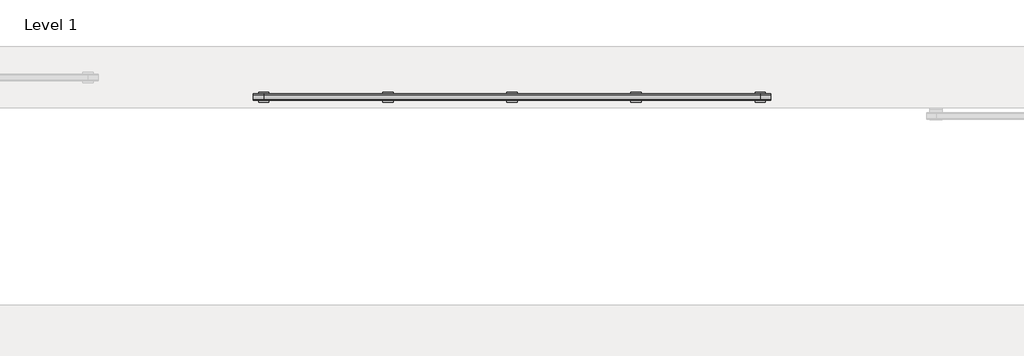
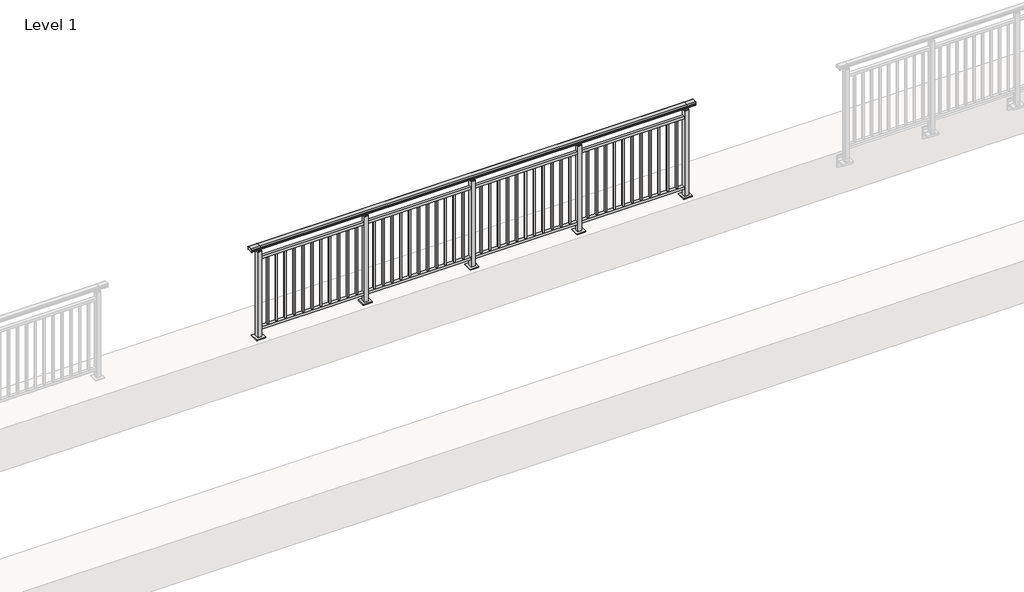
# One storey, part 10 of 64: 1 railing.
"""IFC4 building model written with IfcOpenShell, lengths in millimetres."""

import ifcopenshell
import ifcopenshell.guid

model = None  # the IFC model being written
_history = None  # IfcOwnerHistory: only IFC2X3 demands one
_inside = {}  # id of a spatial element -> (the spatial element, [elements in it])
_under = {}  # id of a project, library or spatial element -> (it, [spatial elements below it])
_declared = {}  # id of a project -> (the project, [libraries it declares])
_typed = {}  # id of a type object -> (the type object, [elements of that type])
_made_of = {}  # id of a material, layer set ... -> (it, [elements and type objects made of it])


def new_model(schema):
    """Start an empty IFC model of exactly this schema.

    Asked for "IFC4X3", IfcOpenShell would pick the latest addendum, in which some entities
    have other attributes; the version numbers below select the first issue.
    IFC2X3 requires an IfcOwnerHistory on every rooted entity: one is made here for all.
    """
    global model, _history
    if schema == "IFC4X3":
        model = ifcopenshell.file(schema_version=(4, 3, 0, 0))
    else:
        model = ifcopenshell.file(schema=schema)
    _inside.clear()
    _under.clear()
    _declared.clear()
    _typed.clear()
    _made_of.clear()
    _history = None
    if model.schema == "IFC2X3":
        org = make("IfcOrganization", Name="unknown")
        user = make(
            "IfcPersonAndOrganization",
            ThePerson=make("IfcPerson", FamilyName="unknown"),
            TheOrganization=org,
        )
        app = make(
            "IfcApplication",
            ApplicationDeveloper=org,
            Version="unknown",
            ApplicationFullName="unknown",
            ApplicationIdentifier="unknown",
        )
        _history = make(
            "IfcOwnerHistory",
            OwningUser=user,
            OwningApplication=app,
            ChangeAction="ADDED",
            CreationDate=0,
        )
    return model


def make(cls, **values):
    """One entity of the class cls with the attributes given. An attribute that is None is left unset."""
    return model.create_entity(
        cls, **{name: value for name, value in values.items() if value is not None}
    )


def rooted(cls, **values):
    """An entity with a GlobalId (a new one), such as an element, a storey or a relation."""
    return make(cls, GlobalId=ifcopenshell.guid.new(), OwnerHistory=_history, **values)


def si_unit(unit_type, name, prefix=None):
    """IfcSIUnit, for example si_unit("LENGTHUNIT", "METRE", prefix="MILLI")."""
    return make("IfcSIUnit", UnitType=unit_type, Prefix=prefix, Name=name)


def assignment(units):
    """IfcUnitAssignment: the units of a project."""
    return None if units is None else make("IfcUnitAssignment", Units=units)


def point(xyz):
    """IfcCartesianPoint."""
    return None if xyz is None else make("IfcCartesianPoint", Coordinates=xyz)


def direction(xyz):
    """IfcDirection."""
    return None if xyz is None else make("IfcDirection", DirectionRatios=xyz)


def frame(location, z_axis=None, x_axis=None):
    """IfcAxis2Placement3D, a coordinate frame: its origin and axes. An axis left out is left unset."""
    return make(
        "IfcAxis2Placement3D",
        Location=point(location),
        Axis=direction(z_axis),
        RefDirection=direction(x_axis),
    )


def origin():
    """The frame at (0, 0, 0) with its axes left unset."""
    return frame((0.0, 0.0, 0.0))


def origin_with_axes():
    """The frame at (0, 0, 0) with the z axis (0, 0, 1) and the x axis (1, 0, 0) written out."""
    return frame((0.0, 0.0, 0.0), z_axis=(0.0, 0.0, 1.0), x_axis=(1.0, 0.0, 0.0))


def place(relative_to, where):
    """IfcLocalPlacement: puts the frame where relative to a parent placement (None: the world)."""
    return make(
        "IfcLocalPlacement", PlacementRelTo=relative_to, RelativePlacement=where
    )


def context(
    kind, dimensions, precision=None, world=None, true_north=None, identifier=None
):
    """IfcGeometricRepresentationContext, for example the 3D "Model" context."""
    return make(
        "IfcGeometricRepresentationContext",
        ContextIdentifier=identifier,
        ContextType=kind,
        CoordinateSpaceDimension=dimensions,
        Precision=precision,
        WorldCoordinateSystem=world,
        TrueNorth=true_north,
    )


def project(units=None, contexts=None):
    """IfcProject with its units and contexts."""
    return rooted(
        "IfcProject",
        Name="project",
        RepresentationContexts=contexts,
        UnitsInContext=assignment(units),
    )


def spatial(cls, under=None, at=None, **own):
    """A site, building, storey or space (cls), placed at a placement, below another one or the project."""
    s = rooted(cls, ObjectPlacement=at, **own)
    if under is not None:
        _under.setdefault(under.id(), (under, []))[1].append(s)
    return s


def polyline(points):
    """IfcPolyline through the points."""
    return make("IfcPolyline", Points=[point(p) for p in points])


def circle_curve(where, radius):
    """IfcCircle in the frame where."""
    return make("IfcCircle", Position=where, Radius=radius)


def outline(outer, holes=None, kind="AREA"):
    """IfcArbitraryClosedProfileDef: a profile drawn as a closed curve; with holes, ...WithVoids."""
    if holes is None:
        return make("IfcArbitraryClosedProfileDef", ProfileType=kind, OuterCurve=outer)
    return make(
        "IfcArbitraryProfileDefWithVoids",
        ProfileType=kind,
        OuterCurve=outer,
        InnerCurves=holes,
    )


def extrude(swept, where, along, depth):
    """IfcExtrudedAreaSolid: the profile swept, set in the frame where, extruded along a direction by depth."""
    return make(
        "IfcExtrudedAreaSolid",
        SweptArea=swept,
        Position=where,
        ExtrudedDirection=direction(along),
        Depth=depth,
    )


def shape(context_of_items, identifier, shape_type, items):
    """IfcShapeRepresentation: the items that make up one representation, for example the "Body"."""
    return make(
        "IfcShapeRepresentation",
        ContextOfItems=context_of_items,
        RepresentationIdentifier=identifier,
        RepresentationType=shape_type,
        Items=items,
    )


def made_of(thing, what):
    """Note that an element or type object is made of a material, layer set ...; save() writes the relation."""
    if what is not None:
        _made_of.setdefault(what.id(), (what, []))[1].append(thing)
    return thing


def element(
    cls,
    number,
    at=None,
    inside=None,
    cuts=None,
    type_object=None,
    material=None,
    context=None,
    identifier="Body",
    shape_type=None,
    held_by="IfcProductDefinitionShape",
    body=None,
    shapes=None,
    **own,
):
    """One element of the class cls, such as IfcWall. Its Tag is "e" and its number.

    at: its placement. inside: the storey or other place that contains it. cuts: it is an
    opening in that element (IfcRelVoidsElement). A single representation is given by context,
    identifier, shape_type and body (its items); several are given by shapes. held_by: the class
    of the entity that holds the representations. save() writes the other relations.
    """
    e = rooted(cls, Tag="e%d" % number, ObjectPlacement=at, **own)
    if body is not None:
        shapes = [shape(context, identifier, shape_type, body)]
    if shapes is not None:
        e.Representation = make(held_by, Representations=shapes)
    if inside is not None:
        _inside.setdefault(inside.id(), (inside, []))[1].append(e)
    if cuts is not None:
        rooted(
            "IfcRelVoidsElement", RelatingBuildingElement=cuts, RelatedOpeningElement=e
        )
    if type_object is not None:
        _typed.setdefault(type_object.id(), (type_object, []))[1].append(e)
    return made_of(e, material)


def aggregate(whole, parts):
    """IfcRelAggregates: a whole, such as a stair, and the parts it consists of."""
    return rooted("IfcRelAggregates", RelatingObject=whole, RelatedObjects=parts)


def save(model, path):
    """Write the relations noted so far, then the file.

    IfcRelAggregates (storeys below a building ...), IfcRelContainedInSpatialStructure (elements
    in a storey), IfcRelDefinesByType, IfcRelAssociatesMaterial and IfcRelDeclares: one each for
    every whole, place, type object, material and project.
    """
    for whole, parts in _under.values():
        aggregate(whole, parts)
    for where, things in _inside.values():
        rooted(
            "IfcRelContainedInSpatialStructure",
            RelatedElements=things,
            RelatingStructure=where,
        )
    for kind, things in _typed.values():
        rooted("IfcRelDefinesByType", RelatedObjects=things, RelatingType=kind)
    for what, things in _made_of.values():
        rooted("IfcRelAssociatesMaterial", RelatedObjects=things, RelatingMaterial=what)
    for by, libraries in _declared.values():
        rooted("IfcRelDeclares", RelatingContext=by, RelatedDefinitions=libraries)
    model.write(path)


def plane_surface(at):
    """IfcPlane: the flat surface through the origin of the frame at, square to its z axis."""
    return make("IfcPlane", Position=at)


def cylinder_surface(at, radius):
    """IfcCylindricalSurface: all points at the distance radius from the z axis of the frame at."""
    return make("IfcCylindricalSurface", Position=at, Radius=radius)


def revolved_surface(curve, axis_point, axis_direction):
    """IfcSurfaceOfRevolution: the curve turned about the line through axis_point along axis_direction."""
    return make(
        "IfcSurfaceOfRevolution",
        SweptCurve=make("IfcArbitraryOpenProfileDef", ProfileType="CURVE", Curve=curve),
        AxisPosition=make("IfcAxis1Placement", Location=point(axis_point), Axis=direction(axis_direction)),
    )


def advanced_brep(points, edges, surfaces, faces):
    """IfcAdvancedBrep: a solid bounded by faces that lie on surfaces and meet in shared edges.

    An edge is (start, end): straight between two places in points (the first is 0);
    or (start, end, curve); or (start, end, curve, False) where it runs against its curve.
    A face is (place in surfaces, loops), or (place, loops, False) where it looks against
    its surface's normal. A loop lists edges by number (the first is 1), with a minus sign
    where the edge is run from its end to its start. The first loop is the outer one.
    """
    corners = [point(p) for p in points]
    vertices = [make("IfcVertexPoint", VertexGeometry=c) for c in corners]
    made = []
    for start, end, *more in edges:
        made.append(
            make(
                "IfcEdgeCurve",
                EdgeStart=vertices[start],
                EdgeEnd=vertices[end],
                EdgeGeometry=more[0] if more else make("IfcPolyline", Points=[corners[start], corners[end]]),
                SameSense=more[1] if len(more) > 1 else True,
            )
        )
    hull = []
    for where, loops, *sense in faces:
        bounds = []
        for j, loop in enumerate(loops):
            ring = [make("IfcOrientedEdge", EdgeElement=made[abs(k) - 1], Orientation=k > 0) for k in loop]
            bounds.append(
                make(
                    "IfcFaceOuterBound" if j == 0 else "IfcFaceBound",
                    Bound=make("IfcEdgeLoop", EdgeList=ring),
                    Orientation=True,
                )
            )
        hull.append(make("IfcAdvancedFace", Bounds=bounds, FaceSurface=surfaces[where], SameSense=sense[0] if sense else True))
    return make("IfcAdvancedBrep", Outer=make("IfcClosedShell", CfsFaces=hull))


model = new_model("IFC4")

# Units and contexts
model_context = context("Model", 3, world=origin())
ifc_project = project(units=[si_unit("LENGTHUNIT", "METRE", prefix="MILLI")], contexts=[model_context])

# Site, building, storey
site = spatial("IfcSite", under=ifc_project)
building = spatial("IfcBuilding", under=site)
storey = spatial("IfcBuildingStorey", under=building, Name="Level 1", Elevation=0.0)

# Railing
placement = place(None, origin())
element("IfcRailing", 1, at=placement, inside=storey, context=model_context, shape_type="SolidModel", body=[
    advanced_brep(
    [(6400.0, 2525.3633756, 1095.6691182), (6400.0, 2530.1846828, 1081.1334092), (6400.0, 2529.2413744, 1069.2539035), (6400.0, 2531.1364177, 1061.4863007), (6400.0, 2529.4894799, 1060.384124), (6400.0, 2529.4894799, 1062.0), (6400.0, 2470.8798858, 1062.0), (6400.0, 2470.8798858, 1060.384124), (6400.0, 2469.232948, 1061.4863007), (6400.0, 2471.1279912, 1069.2539035), (6400.0, 2470.1846828, 1081.1334092), (6400.0, 2475.00599, 1095.6691182), (11400.0, 2525.3633756, 1095.6691182), (11400.0, 2475.00599, 1095.6691182), (11400.0, 2470.1846828, 1081.1334092), (11400.0, 2471.1279912, 1069.2539035), (11400.0, 2469.232948, 1061.4863007), (11400.0, 2470.8798858, 1060.384124), (11400.0, 2470.8798858, 1062.0), (11400.0, 2529.4894799, 1062.0), (11400.0, 2529.4894799, 1060.384124), (11400.0, 2531.1364177, 1061.4863007), (11400.0, 2529.2413744, 1069.2539035), (11400.0, 2530.1846828, 1081.1334092), (6500.0, 2525.3633756, 1095.6691182), (6500.0, 2530.1846828, 1081.1334092), (6500.0, 2529.2413744, 1069.2539035), (6500.0, 2531.1364177, 1061.4863007), (6500.0, 2529.4894799, 1060.384124), (6500.0, 2529.4894799, 1062.0), (6500.0, 2470.8798858, 1062.0), (6500.0, 2470.8798858, 1060.384124), (6500.0, 2469.232948, 1061.4863007), (6500.0, 2471.1279912, 1069.2539035), (6500.0, 2470.1846828, 1081.1334092), (6500.0, 2475.00599, 1095.6691182), (11300.0, 2525.3633756, 1095.6691182), (11300.0, 2530.1846828, 1081.1334092), (11300.0, 2529.2413744, 1069.2539035), (11300.0, 2531.1364177, 1061.4863007), (11300.0, 2529.4894799, 1060.384124), (11300.0, 2529.4894799, 1062.0), (11300.0, 2470.8798858, 1062.0), (11300.0, 2470.8798858, 1060.384124), (11300.0, 2469.232948, 1061.4863007), (11300.0, 2471.1279912, 1069.2539035), (11300.0, 2470.1846828, 1081.1334092), (11300.0, 2475.00599, 1095.6691182)],
    [
        (0, 1, circle_curve(frame((6400.0, 2522.1223845, 1086.526686), z_axis=(-1.0, 0.0, 0.0), x_axis=(0.0, -1.0, 0.0)), 9.6999015)),
        (1, 2, circle_curve(frame((6400.0, 2547.7252545, 1073.7633709), z_axis=(1.0, 0.0, 0.0), x_axis=(0.0, -1.0, 0.0)), 19.0260117)),
        (2, 3),
        (3, 4, circle_curve(frame((6400.0, 2530.2772073, 1060.9886194), z_axis=(-1.0, 0.0, 0.0), x_axis=(0.0, -1.0, 0.0)), 0.9929396)),
        (4, 5),
        (5, 6),
        (6, 7),
        (7, 8, circle_curve(frame((6400.0, 2470.0921584, 1060.9886194), z_axis=(-1.0, 0.0, 0.0), x_axis=(0.0, 1.0, 0.0)), 0.9929396)),
        (8, 9),
        (9, 10, circle_curve(frame((6400.0, 2452.6441111, 1073.7633709), z_axis=(1.0, 0.0, 0.0), x_axis=(0.0, 1.0, 0.0)), 19.0260117)),
        (10, 11, circle_curve(frame((6400.0, 2478.2469812, 1086.526686), z_axis=(-1.0, 0.0, 0.0), x_axis=(0.0, 1.0, 0.0)), 9.6999015)),
        (11, 0, circle_curve(frame((6400.0, 2500.1846828, 1024.6431628), z_axis=(-1.0, 0.0, 0.0), x_axis=(0.0, 1.0, 0.0)), 75.3568372)),
        (12, 13, circle_curve(frame((11400.0, 2500.1846828, 1024.6431628), z_axis=(1.0, 0.0, 0.0), x_axis=(0.0, 1.0, 0.0)), 75.3568372)),
        (13, 14, circle_curve(frame((11400.0, 2478.2469812, 1086.526686), z_axis=(1.0, 0.0, 0.0), x_axis=(0.0, 1.0, 0.0)), 9.6999015)),
        (14, 15, circle_curve(frame((11400.0, 2452.6441111, 1073.7633709), z_axis=(-1.0, 0.0, 0.0), x_axis=(0.0, 1.0, 0.0)), 19.0260117)),
        (15, 16),
        (16, 17, circle_curve(frame((11400.0, 2470.0921584, 1060.9886194), z_axis=(1.0, 0.0, 0.0), x_axis=(0.0, 1.0, 0.0)), 0.9929396)),
        (17, 18),
        (18, 19),
        (19, 20),
        (20, 21, circle_curve(frame((11400.0, 2530.2772073, 1060.9886194), z_axis=(1.0, 0.0, 0.0), x_axis=(0.0, -1.0, 0.0)), 0.9929396)),
        (21, 22),
        (22, 23, circle_curve(frame((11400.0, 2547.7252545, 1073.7633709), z_axis=(-1.0, 0.0, 0.0), x_axis=(0.0, -1.0, 0.0)), 19.0260117)),
        (23, 12, circle_curve(frame((11400.0, 2522.1223845, 1086.526686), z_axis=(1.0, 0.0, 0.0), x_axis=(0.0, -1.0, 0.0)), 9.6999015)),
        (0, 24),
        (24, 25, circle_curve(frame((6500.0, 2522.1223845, 1086.526686), z_axis=(-1.0, 0.0, 0.0), x_axis=(0.0, -1.0, 0.0)), 9.6999015)),
        (25, 1),
        (25, 26, circle_curve(frame((6500.0, 2547.7252545, 1073.7633709), z_axis=(1.0, 0.0, 0.0), x_axis=(0.0, -1.0, 0.0)), 19.0260117)),
        (26, 2),
        (26, 27),
        (27, 3),
        (27, 28, circle_curve(frame((6500.0, 2530.2772073, 1060.9886194), z_axis=(-1.0, 0.0, 0.0), x_axis=(0.0, -1.0, 0.0)), 0.9929396)),
        (28, 4),
        (28, 29),
        (29, 5),
        (29, 30),
        (30, 6),
        (30, 31),
        (31, 7),
        (31, 32, circle_curve(frame((6500.0, 2470.0921584, 1060.9886194), z_axis=(-1.0, 0.0, 0.0), x_axis=(0.0, 1.0, 0.0)), 0.9929396)),
        (32, 8),
        (32, 33),
        (33, 9),
        (33, 34, circle_curve(frame((6500.0, 2452.6441111, 1073.7633709), z_axis=(1.0, 0.0, 0.0), x_axis=(0.0, 1.0, 0.0)), 19.0260117)),
        (34, 10),
        (34, 35, circle_curve(frame((6500.0, 2478.2469812, 1086.526686), z_axis=(-1.0, 0.0, 0.0), x_axis=(0.0, 1.0, 0.0)), 9.6999015)),
        (35, 11),
        (35, 24, circle_curve(frame((6500.0, 2500.1846828, 1024.6431628), z_axis=(-1.0, 0.0, 0.0), x_axis=(0.0, 1.0, 0.0)), 75.3568372)),
        (24, 36),
        (36, 37, circle_curve(frame((11300.0, 2522.1223845, 1086.526686), z_axis=(-1.0, 0.0, 0.0), x_axis=(0.0, -1.0, 0.0)), 9.6999015)),
        (37, 25),
        (37, 38, circle_curve(frame((11300.0, 2547.7252545, 1073.7633709), z_axis=(1.0, 0.0, 0.0), x_axis=(0.0, -1.0, 0.0)), 19.0260117)),
        (38, 26),
        (38, 39),
        (39, 27),
        (39, 40, circle_curve(frame((11300.0, 2530.2772073, 1060.9886194), z_axis=(-1.0, 0.0, 0.0), x_axis=(0.0, -1.0, 0.0)), 0.9929396)),
        (40, 28),
        (40, 41),
        (41, 29),
        (41, 42),
        (42, 30),
        (42, 43),
        (43, 31),
        (43, 44, circle_curve(frame((11300.0, 2470.0921584, 1060.9886194), z_axis=(-1.0, 0.0, 0.0), x_axis=(0.0, 1.0, 0.0)), 0.9929396)),
        (44, 32),
        (44, 45),
        (45, 33),
        (45, 46, circle_curve(frame((11300.0, 2452.6441111, 1073.7633709), z_axis=(1.0, 0.0, 0.0), x_axis=(0.0, 1.0, 0.0)), 19.0260117)),
        (46, 34),
        (46, 47, circle_curve(frame((11300.0, 2478.2469812, 1086.526686), z_axis=(-1.0, 0.0, 0.0), x_axis=(0.0, 1.0, 0.0)), 9.6999015)),
        (47, 35),
        (47, 36, circle_curve(frame((11300.0, 2500.1846828, 1024.6431628), z_axis=(-1.0, 0.0, 0.0), x_axis=(0.0, 1.0, 0.0)), 75.3568372)),
        (36, 12),
        (23, 37),
        (22, 38),
        (21, 39),
        (20, 40),
        (19, 41),
        (18, 42),
        (17, 43),
        (16, 44),
        (15, 45),
        (14, 46),
        (13, 47),
    ],
    [
        plane_surface(frame((6400.0, 2500.1846828, 1100.0), z_axis=(-1.0, 0.0, 0.0), x_axis=(0.0, 1.0, 0.0))),
        plane_surface(frame((11400.0, 2500.1846828, 1100.0), z_axis=(1.0, 0.0, 0.0), x_axis=(0.0, 1.0, 0.0))),
        cylinder_surface(frame((6400.0, 2522.1223845, 1086.526686), z_axis=(-1.0, 0.0, 0.0), x_axis=(0.0, -1.0, 0.0)), 9.6999015),
        revolved_surface(polyline([(6500.0, 2528.6992428000003, 1073.7633709), (6400.0, 2528.6992428000003, 1073.7633709)]), (6400.0, 2547.7252545, 1073.7633709), (1.0, 0.0, 0.0)),
        plane_surface(frame((6400.0, 2529.2413744, 1069.2539035), z_axis=(0.0, 0.9715057689301543, 0.2370159086125439), x_axis=(1.0, 0.0, 0.0))),
        cylinder_surface(frame((6400.0, 2530.2772073, 1060.9886194), z_axis=(-1.0, 0.0, 0.0), x_axis=(0.0, -1.0, 0.0)), 0.9929396),
        plane_surface(frame((6400.0, 2529.4894799, 1060.384124), z_axis=(0.0, -1.0, 0.0), x_axis=(1.0, 0.0, 0.0))),
        plane_surface(frame((6400.0, 2529.4894799, 1062.0), z_axis=(0.0, 0.0, -1.0), x_axis=(1.0, 0.0, 0.0))),
        plane_surface(frame((6400.0, 2470.8798858, 1062.0), z_axis=(0.0, 1.0, 0.0), x_axis=(1.0, 0.0, 0.0))),
        cylinder_surface(frame((6400.0, 2470.0921584, 1060.9886194), z_axis=(-1.0, 0.0, 0.0), x_axis=(0.0, 1.0, 0.0)), 0.9929396),
        plane_surface(frame((6400.0, 2469.232948, 1061.4863007), z_axis=(0.0, -0.9715057689301543, 0.2370159086125439), x_axis=(1.0, 0.0, 0.0))),
        revolved_surface(polyline([(6500.0, 2471.6701227999997, 1073.7633709), (6400.0, 2471.6701227999997, 1073.7633709)]), (6400.0, 2452.6441111, 1073.7633709), (1.0, 0.0, 0.0)),
        cylinder_surface(frame((6400.0, 2478.2469812, 1086.526686), z_axis=(-1.0, 0.0, 0.0), x_axis=(0.0, 1.0, 0.0)), 9.6999015),
        cylinder_surface(frame((6400.0, 2500.1846828, 1024.6431628), z_axis=(-1.0, 0.0, 0.0), x_axis=(0.0, 1.0, 0.0)), 75.3568372),
        cylinder_surface(frame((6500.0, 2522.1223845, 1086.526686), z_axis=(-1.0, 0.0, 0.0), x_axis=(0.0, -1.0, 0.0)), 9.6999015),
        revolved_surface(polyline([(11300.0, 2528.6992428000003, 1073.7633709), (6500.0, 2528.6992428000003, 1073.7633709)]), (6500.0, 2547.7252545, 1073.7633709), (1.0, 0.0, 0.0)),
        plane_surface(frame((6500.0, 2529.2413744, 1069.2539035), z_axis=(0.0, 0.9715057689301543, 0.2370159086125439), x_axis=(1.0, 0.0, 0.0))),
        cylinder_surface(frame((6500.0, 2530.2772073, 1060.9886194), z_axis=(-1.0, 0.0, 0.0), x_axis=(0.0, -1.0, 0.0)), 0.9929396),
        plane_surface(frame((6500.0, 2529.4894799, 1060.384124), z_axis=(0.0, -1.0, 0.0), x_axis=(1.0, 0.0, 0.0))),
        plane_surface(frame((6500.0, 2529.4894799, 1062.0), z_axis=(0.0, 0.0, -1.0), x_axis=(1.0, 0.0, 0.0))),
        plane_surface(frame((6500.0, 2470.8798858, 1062.0), z_axis=(0.0, 1.0, 0.0), x_axis=(1.0, 0.0, 0.0))),
        cylinder_surface(frame((6500.0, 2470.0921584, 1060.9886194), z_axis=(-1.0, 0.0, 0.0), x_axis=(0.0, 1.0, 0.0)), 0.9929396),
        plane_surface(frame((6500.0, 2469.232948, 1061.4863007), z_axis=(0.0, -0.9715057689301543, 0.2370159086125439), x_axis=(1.0, 0.0, 0.0))),
        revolved_surface(polyline([(11300.0, 2471.6701227999997, 1073.7633709), (6500.0, 2471.6701227999997, 1073.7633709)]), (6500.0, 2452.6441111, 1073.7633709), (1.0, 0.0, 0.0)),
        cylinder_surface(frame((6500.0, 2478.2469812, 1086.526686), z_axis=(-1.0, 0.0, 0.0), x_axis=(0.0, 1.0, 0.0)), 9.6999015),
        cylinder_surface(frame((6500.0, 2500.1846828, 1024.6431628), z_axis=(-1.0, 0.0, 0.0), x_axis=(0.0, 1.0, 0.0)), 75.3568372),
        cylinder_surface(frame((11300.0, 2522.1223845, 1086.526686), z_axis=(-1.0, 0.0, 0.0), x_axis=(0.0, -1.0, 0.0)), 9.6999015),
        revolved_surface(polyline([(11400.0, 2528.6992428000003, 1073.7633709), (11300.0, 2528.6992428000003, 1073.7633709)]), (11300.0, 2547.7252545, 1073.7633709), (1.0, 0.0, 0.0)),
        plane_surface(frame((11300.0, 2529.2413744, 1069.2539035), z_axis=(0.0, 0.9715057689301543, 0.2370159086125439), x_axis=(1.0, 0.0, 0.0))),
        cylinder_surface(frame((11300.0, 2530.2772073, 1060.9886194), z_axis=(-1.0, 0.0, 0.0), x_axis=(0.0, -1.0, 0.0)), 0.9929396),
        plane_surface(frame((11300.0, 2529.4894799, 1060.384124), z_axis=(0.0, -1.0, 0.0), x_axis=(1.0, 0.0, 0.0))),
        plane_surface(frame((11300.0, 2529.4894799, 1062.0), z_axis=(0.0, 0.0, -1.0), x_axis=(1.0, 0.0, 0.0))),
        plane_surface(frame((11300.0, 2470.8798858, 1062.0), z_axis=(0.0, 1.0, 0.0), x_axis=(1.0, 0.0, 0.0))),
        cylinder_surface(frame((11300.0, 2470.0921584, 1060.9886194), z_axis=(-1.0, 0.0, 0.0), x_axis=(0.0, 1.0, 0.0)), 0.9929396),
        plane_surface(frame((11300.0, 2469.232948, 1061.4863007), z_axis=(0.0, -0.9715057689301543, 0.2370159086125439), x_axis=(1.0, 0.0, 0.0))),
        revolved_surface(polyline([(11400.0, 2471.6701227999997, 1073.7633709), (11300.0, 2471.6701227999997, 1073.7633709)]), (11300.0, 2452.6441111, 1073.7633709), (1.0, 0.0, 0.0)),
        cylinder_surface(frame((11300.0, 2478.2469812, 1086.526686), z_axis=(-1.0, 0.0, 0.0), x_axis=(0.0, 1.0, 0.0)), 9.6999015),
        cylinder_surface(frame((11300.0, 2500.1846828, 1024.6431628), z_axis=(-1.0, 0.0, 0.0), x_axis=(0.0, 1.0, 0.0)), 75.3568372),
    ],
    [
        (0, [[1, 2, 3, 4, 5, 6, 7, 8, 9, 10, 11, 12]]),
        (1, [[13, 14, 15, 16, 17, 18, 19, 20, 21, 22, 23, 24]]),
        (2, [[-1, 25, 26, 27]]),
        (3, [[-2, -27, 28, 29]]),
        (4, [[-3, -29, 30, 31]]),
        (5, [[-4, -31, 32, 33]]),
        (6, [[-5, -33, 34, 35]]),
        (7, [[-6, -35, 36, 37]]),
        (8, [[-7, -37, 38, 39]]),
        (9, [[-8, -39, 40, 41]]),
        (10, [[-9, -41, 42, 43]]),
        (11, [[-10, -43, 44, 45]]),
        (12, [[-11, -45, 46, 47]]),
        (13, [[-12, -47, 48, -25]]),
        (14, [[-26, 49, 50, 51]]),
        (15, [[-28, -51, 52, 53]]),
        (16, [[-30, -53, 54, 55]]),
        (17, [[-32, -55, 56, 57]]),
        (18, [[-34, -57, 58, 59]]),
        (19, [[-36, -59, 60, 61]]),
        (20, [[-38, -61, 62, 63]]),
        (21, [[-40, -63, 64, 65]]),
        (22, [[-42, -65, 66, 67]]),
        (23, [[-44, -67, 68, 69]]),
        (24, [[-46, -69, 70, 71]]),
        (25, [[-48, -71, 72, -49]]),
        (26, [[-50, 73, -24, 74]]),
        (27, [[-52, -74, -23, 75]]),
        (28, [[-54, -75, -22, 76]]),
        (29, [[-56, -76, -21, 77]]),
        (30, [[-58, -77, -20, 78]]),
        (31, [[-60, -78, -19, 79]]),
        (32, [[-62, -79, -18, 80]]),
        (33, [[-64, -80, -17, 81]]),
        (34, [[-66, -81, -16, 82]]),
        (35, [[-68, -82, -15, 83]]),
        (36, [[-70, -83, -14, 84]]),
        (37, [[-72, -84, -13, -73]]),
    ],
),
    extrude(outline(polyline([(6500.0, 2482.6846828), (6500.0, 2517.6846828), (11300.0, 2517.6846828), (11300.0, 2482.6846828), (6500.0, 2482.6846828)])), frame((0.0, 0.0, 930.0), z_axis=(0.0, 0.0, 1.0), x_axis=(1.0, 0.0, 0.0)), (0.0, 0.0, 1.0), 30.0),
    extrude(outline(polyline([(6500.0, 2482.6846828), (6500.0, 2517.6846828), (11300.0, 2517.6846828), (11300.0, 2482.6846828), (6500.0, 2482.6846828)])), frame((0.0, 0.0, 95.0), z_axis=(0.0, 0.0, 1.0), x_axis=(1.0, 0.0, 0.0)), (0.0, 0.0, 1.0), 30.0),
    extrude(outline(polyline([(11208.5, 2508.6846828), (11208.5, 2491.6846828), (11191.5, 2491.6846828), (11191.5, 2508.6846828), (11208.5, 2508.6846828)])), frame((0.0, 0.0, 125.0), z_axis=(0.0, 0.0, 1.0), x_axis=(1.0, 0.0, 0.0)), (0.0, 0.0, 1.0), 805.0),
    extrude(outline(polyline([(11108.5, 2508.6846828), (11108.5, 2491.6846828), (11091.5, 2491.6846828), (11091.5, 2508.6846828), (11108.5, 2508.6846828)])), frame((0.0, 0.0, 125.0), z_axis=(0.0, 0.0, 1.0), x_axis=(1.0, 0.0, 0.0)), (0.0, 0.0, 1.0), 805.0),
    extrude(outline(polyline([(11008.5, 2508.6846828), (11008.5, 2491.6846828), (10991.5, 2491.6846828), (10991.5, 2508.6846828), (11008.5, 2508.6846828)])), frame((0.0, 0.0, 125.0), z_axis=(0.0, 0.0, 1.0), x_axis=(1.0, 0.0, 0.0)), (0.0, 0.0, 1.0), 805.0),
    extrude(outline(polyline([(10908.5, 2508.6846828), (10908.5, 2491.6846828), (10891.5, 2491.6846828), (10891.5, 2508.6846828), (10908.5, 2508.6846828)])), frame((0.0, 0.0, 125.0), z_axis=(0.0, 0.0, 1.0), x_axis=(1.0, 0.0, 0.0)), (0.0, 0.0, 1.0), 805.0),
    extrude(outline(polyline([(10808.5, 2508.6846828), (10808.5, 2491.6846828), (10791.5, 2491.6846828), (10791.5, 2508.6846828), (10808.5, 2508.6846828)])), frame((0.0, 0.0, 125.0), z_axis=(0.0, 0.0, 1.0), x_axis=(1.0, 0.0, 0.0)), (0.0, 0.0, 1.0), 805.0),
    extrude(outline(polyline([(10708.5, 2508.6846828), (10708.5, 2491.6846828), (10691.5, 2491.6846828), (10691.5, 2508.6846828), (10708.5, 2508.6846828)])), frame((0.0, 0.0, 125.0), z_axis=(0.0, 0.0, 1.0), x_axis=(1.0, 0.0, 0.0)), (0.0, 0.0, 1.0), 805.0),
    extrude(outline(polyline([(10608.5, 2508.6846828), (10608.5, 2491.6846828), (10591.5, 2491.6846828), (10591.5, 2508.6846828), (10608.5, 2508.6846828)])), frame((0.0, 0.0, 125.0), z_axis=(0.0, 0.0, 1.0), x_axis=(1.0, 0.0, 0.0)), (0.0, 0.0, 1.0), 805.0),
    extrude(outline(polyline([(10508.5, 2508.6846828), (10508.5, 2491.6846828), (10491.5, 2491.6846828), (10491.5, 2508.6846828), (10508.5, 2508.6846828)])), frame((0.0, 0.0, 125.0), z_axis=(0.0, 0.0, 1.0), x_axis=(1.0, 0.0, 0.0)), (0.0, 0.0, 1.0), 805.0),
    extrude(outline(polyline([(10408.5, 2508.6846828), (10408.5, 2491.6846828), (10391.5, 2491.6846828), (10391.5, 2508.6846828), (10408.5, 2508.6846828)])), frame((0.0, 0.0, 125.0), z_axis=(0.0, 0.0, 1.0), x_axis=(1.0, 0.0, 0.0)), (0.0, 0.0, 1.0), 805.0),
    extrude(outline(polyline([(10308.5, 2508.6846828), (10308.5, 2491.6846828), (10291.5, 2491.6846828), (10291.5, 2508.6846828), (10308.5, 2508.6846828)])), frame((0.0, 0.0, 125.0), z_axis=(0.0, 0.0, 1.0), x_axis=(1.0, 0.0, 0.0)), (0.0, 0.0, 1.0), 805.0),
    extrude(outline(polyline([(10208.5, 2508.6846828), (10208.5, 2491.6846828), (10191.5, 2491.6846828), (10191.5, 2508.6846828), (10208.5, 2508.6846828)])), frame((0.0, 0.0, 125.0), z_axis=(0.0, 0.0, 1.0), x_axis=(1.0, 0.0, 0.0)), (0.0, 0.0, 1.0), 805.0),
    extrude(outline(polyline([(10110.0, 2490.1846828), (10090.0, 2490.1846828), (10090.0, 2510.1846828), (10110.0, 2510.1846828), (10110.0, 2490.1846828)])), frame((0.0, 0.0, 1035.0), z_axis=(0.0, 0.0, 1.0), x_axis=(1.0, 0.0, 0.0)), (0.0, 0.0, 1.0), 20.0),
    extrude(outline(polyline([(10122.5, 2477.6846828), (10077.5, 2477.6846828), (10077.5, 2522.6846828), (10122.5, 2522.6846828), (10122.5, 2477.6846828)])), frame((0.0, 0.0, 1027.0), z_axis=(0.0, 0.0, 1.0), x_axis=(1.0, 0.0, 0.0)), (0.0, 0.0, 1.0), 8.0),
    extrude(outline(polyline([(10150.0, 2450.1846828), (10050.0, 2450.1846828), (10050.0, 2550.1846828), (10150.0, 2550.1846828), (10150.0, 2450.1846828)])), origin_with_axes(), (0.0, 0.0, 1.0), 12.0),
    extrude(outline(polyline([(10122.5, 2477.6846828), (10077.5, 2477.6846828), (10077.5, 2522.6846828), (10122.5, 2522.6846828), (10122.5, 2477.6846828)])), frame((0.0, 0.0, 12.0), z_axis=(0.0, 0.0, 1.0), x_axis=(1.0, 0.0, 0.0)), (0.0, 0.0, 1.0), 1015.0),
    extrude(outline(polyline([(10008.5, 2508.6846828), (10008.5, 2491.6846828), (9991.5, 2491.6846828), (9991.5, 2508.6846828), (10008.5, 2508.6846828)])), frame((0.0, 0.0, 125.0), z_axis=(0.0, 0.0, 1.0), x_axis=(1.0, 0.0, 0.0)), (0.0, 0.0, 1.0), 805.0),
    extrude(outline(polyline([(9908.5, 2508.6846828), (9908.5, 2491.6846828), (9891.5, 2491.6846828), (9891.5, 2508.6846828), (9908.5, 2508.6846828)])), frame((0.0, 0.0, 125.0), z_axis=(0.0, 0.0, 1.0), x_axis=(1.0, 0.0, 0.0)), (0.0, 0.0, 1.0), 805.0),
    extrude(outline(polyline([(9808.5, 2508.6846828), (9808.5, 2491.6846828), (9791.5, 2491.6846828), (9791.5, 2508.6846828), (9808.5, 2508.6846828)])), frame((0.0, 0.0, 125.0), z_axis=(0.0, 0.0, 1.0), x_axis=(1.0, 0.0, 0.0)), (0.0, 0.0, 1.0), 805.0),
    extrude(outline(polyline([(9708.5, 2508.6846828), (9708.5, 2491.6846828), (9691.5, 2491.6846828), (9691.5, 2508.6846828), (9708.5, 2508.6846828)])), frame((0.0, 0.0, 125.0), z_axis=(0.0, 0.0, 1.0), x_axis=(1.0, 0.0, 0.0)), (0.0, 0.0, 1.0), 805.0),
    extrude(outline(polyline([(9608.5, 2508.6846828), (9608.5, 2491.6846828), (9591.5, 2491.6846828), (9591.5, 2508.6846828), (9608.5, 2508.6846828)])), frame((0.0, 0.0, 125.0), z_axis=(0.0, 0.0, 1.0), x_axis=(1.0, 0.0, 0.0)), (0.0, 0.0, 1.0), 805.0),
    extrude(outline(polyline([(9508.5, 2508.6846828), (9508.5, 2491.6846828), (9491.5, 2491.6846828), (9491.5, 2508.6846828), (9508.5, 2508.6846828)])), frame((0.0, 0.0, 125.0), z_axis=(0.0, 0.0, 1.0), x_axis=(1.0, 0.0, 0.0)), (0.0, 0.0, 1.0), 805.0),
    extrude(outline(polyline([(9408.5, 2508.6846828), (9408.5, 2491.6846828), (9391.5, 2491.6846828), (9391.5, 2508.6846828), (9408.5, 2508.6846828)])), frame((0.0, 0.0, 125.0), z_axis=(0.0, 0.0, 1.0), x_axis=(1.0, 0.0, 0.0)), (0.0, 0.0, 1.0), 805.0),
    extrude(outline(polyline([(9308.5, 2508.6846828), (9308.5, 2491.6846828), (9291.5, 2491.6846828), (9291.5, 2508.6846828), (9308.5, 2508.6846828)])), frame((0.0, 0.0, 125.0), z_axis=(0.0, 0.0, 1.0), x_axis=(1.0, 0.0, 0.0)), (0.0, 0.0, 1.0), 805.0),
    extrude(outline(polyline([(9208.5, 2508.6846828), (9208.5, 2491.6846828), (9191.5, 2491.6846828), (9191.5, 2508.6846828), (9208.5, 2508.6846828)])), frame((0.0, 0.0, 125.0), z_axis=(0.0, 0.0, 1.0), x_axis=(1.0, 0.0, 0.0)), (0.0, 0.0, 1.0), 805.0),
    extrude(outline(polyline([(9108.5, 2508.6846828), (9108.5, 2491.6846828), (9091.5, 2491.6846828), (9091.5, 2508.6846828), (9108.5, 2508.6846828)])), frame((0.0, 0.0, 125.0), z_axis=(0.0, 0.0, 1.0), x_axis=(1.0, 0.0, 0.0)), (0.0, 0.0, 1.0), 805.0),
    extrude(outline(polyline([(9008.5, 2508.6846828), (9008.5, 2491.6846828), (8991.5, 2491.6846828), (8991.5, 2508.6846828), (9008.5, 2508.6846828)])), frame((0.0, 0.0, 125.0), z_axis=(0.0, 0.0, 1.0), x_axis=(1.0, 0.0, 0.0)), (0.0, 0.0, 1.0), 805.0),
    extrude(outline(polyline([(8910.0, 2490.1846828), (8890.0, 2490.1846828), (8890.0, 2510.1846828), (8910.0, 2510.1846828), (8910.0, 2490.1846828)])), frame((0.0, 0.0, 1035.0), z_axis=(0.0, 0.0, 1.0), x_axis=(1.0, 0.0, 0.0)), (0.0, 0.0, 1.0), 20.0),
    extrude(outline(polyline([(8922.5, 2477.6846828), (8877.5, 2477.6846828), (8877.5, 2522.6846828), (8922.5, 2522.6846828), (8922.5, 2477.6846828)])), frame((0.0, 0.0, 1027.0), z_axis=(0.0, 0.0, 1.0), x_axis=(1.0, 0.0, 0.0)), (0.0, 0.0, 1.0), 8.0),
    extrude(outline(polyline([(8950.0, 2450.1846828), (8850.0, 2450.1846828), (8850.0, 2550.1846828), (8950.0, 2550.1846828), (8950.0, 2450.1846828)])), origin_with_axes(), (0.0, 0.0, 1.0), 12.0),
    extrude(outline(polyline([(8922.5, 2477.6846828), (8877.5, 2477.6846828), (8877.5, 2522.6846828), (8922.5, 2522.6846828), (8922.5, 2477.6846828)])), frame((0.0, 0.0, 12.0), z_axis=(0.0, 0.0, 1.0), x_axis=(1.0, 0.0, 0.0)), (0.0, 0.0, 1.0), 1015.0),
    extrude(outline(polyline([(8808.5, 2508.6846828), (8808.5, 2491.6846828), (8791.5, 2491.6846828), (8791.5, 2508.6846828), (8808.5, 2508.6846828)])), frame((0.0, 0.0, 125.0), z_axis=(0.0, 0.0, 1.0), x_axis=(1.0, 0.0, 0.0)), (0.0, 0.0, 1.0), 805.0),
    extrude(outline(polyline([(8708.5, 2508.6846828), (8708.5, 2491.6846828), (8691.5, 2491.6846828), (8691.5, 2508.6846828), (8708.5, 2508.6846828)])), frame((0.0, 0.0, 125.0), z_axis=(0.0, 0.0, 1.0), x_axis=(1.0, 0.0, 0.0)), (0.0, 0.0, 1.0), 805.0),
    extrude(outline(polyline([(8608.5, 2508.6846828), (8608.5, 2491.6846828), (8591.5, 2491.6846828), (8591.5, 2508.6846828), (8608.5, 2508.6846828)])), frame((0.0, 0.0, 125.0), z_axis=(0.0, 0.0, 1.0), x_axis=(1.0, 0.0, 0.0)), (0.0, 0.0, 1.0), 805.0),
    extrude(outline(polyline([(8508.5, 2508.6846828), (8508.5, 2491.6846828), (8491.5, 2491.6846828), (8491.5, 2508.6846828), (8508.5, 2508.6846828)])), frame((0.0, 0.0, 125.0), z_axis=(0.0, 0.0, 1.0), x_axis=(1.0, 0.0, 0.0)), (0.0, 0.0, 1.0), 805.0),
    extrude(outline(polyline([(8408.5, 2508.6846828), (8408.5, 2491.6846828), (8391.5, 2491.6846828), (8391.5, 2508.6846828), (8408.5, 2508.6846828)])), frame((0.0, 0.0, 125.0), z_axis=(0.0, 0.0, 1.0), x_axis=(1.0, 0.0, 0.0)), (0.0, 0.0, 1.0), 805.0),
    extrude(outline(polyline([(8308.5, 2508.6846828), (8308.5, 2491.6846828), (8291.5, 2491.6846828), (8291.5, 2508.6846828), (8308.5, 2508.6846828)])), frame((0.0, 0.0, 125.0), z_axis=(0.0, 0.0, 1.0), x_axis=(1.0, 0.0, 0.0)), (0.0, 0.0, 1.0), 805.0),
    extrude(outline(polyline([(8208.5, 2508.6846828), (8208.5, 2491.6846828), (8191.5, 2491.6846828), (8191.5, 2508.6846828), (8208.5, 2508.6846828)])), frame((0.0, 0.0, 125.0), z_axis=(0.0, 0.0, 1.0), x_axis=(1.0, 0.0, 0.0)), (0.0, 0.0, 1.0), 805.0),
    extrude(outline(polyline([(8108.5, 2508.6846828), (8108.5, 2491.6846828), (8091.5, 2491.6846828), (8091.5, 2508.6846828), (8108.5, 2508.6846828)])), frame((0.0, 0.0, 125.0), z_axis=(0.0, 0.0, 1.0), x_axis=(1.0, 0.0, 0.0)), (0.0, 0.0, 1.0), 805.0),
    extrude(outline(polyline([(8008.5, 2508.6846828), (8008.5, 2491.6846828), (7991.5, 2491.6846828), (7991.5, 2508.6846828), (8008.5, 2508.6846828)])), frame((0.0, 0.0, 125.0), z_axis=(0.0, 0.0, 1.0), x_axis=(1.0, 0.0, 0.0)), (0.0, 0.0, 1.0), 805.0),
    extrude(outline(polyline([(7908.5, 2508.6846828), (7908.5, 2491.6846828), (7891.5, 2491.6846828), (7891.5, 2508.6846828), (7908.5, 2508.6846828)])), frame((0.0, 0.0, 125.0), z_axis=(0.0, 0.0, 1.0), x_axis=(1.0, 0.0, 0.0)), (0.0, 0.0, 1.0), 805.0),
    extrude(outline(polyline([(7808.5, 2508.6846828), (7808.5, 2491.6846828), (7791.5, 2491.6846828), (7791.5, 2508.6846828), (7808.5, 2508.6846828)])), frame((0.0, 0.0, 125.0), z_axis=(0.0, 0.0, 1.0), x_axis=(1.0, 0.0, 0.0)), (0.0, 0.0, 1.0), 805.0),
    extrude(outline(polyline([(7710.0, 2490.1846828), (7690.0, 2490.1846828), (7690.0, 2510.1846828), (7710.0, 2510.1846828), (7710.0, 2490.1846828)])), frame((0.0, 0.0, 1035.0), z_axis=(0.0, 0.0, 1.0), x_axis=(1.0, 0.0, 0.0)), (0.0, 0.0, 1.0), 20.0),
    extrude(outline(polyline([(7722.5, 2477.6846828), (7677.5, 2477.6846828), (7677.5, 2522.6846828), (7722.5, 2522.6846828), (7722.5, 2477.6846828)])), frame((0.0, 0.0, 1027.0), z_axis=(0.0, 0.0, 1.0), x_axis=(1.0, 0.0, 0.0)), (0.0, 0.0, 1.0), 8.0),
    extrude(outline(polyline([(7750.0, 2450.1846828), (7650.0, 2450.1846828), (7650.0, 2550.1846828), (7750.0, 2550.1846828), (7750.0, 2450.1846828)])), origin_with_axes(), (0.0, 0.0, 1.0), 12.0),
    extrude(outline(polyline([(7722.5, 2477.6846828), (7677.5, 2477.6846828), (7677.5, 2522.6846828), (7722.5, 2522.6846828), (7722.5, 2477.6846828)])), frame((0.0, 0.0, 12.0), z_axis=(0.0, 0.0, 1.0), x_axis=(1.0, 0.0, 0.0)), (0.0, 0.0, 1.0), 1015.0),
    extrude(outline(polyline([(7608.5, 2508.6846828), (7608.5, 2491.6846828), (7591.5, 2491.6846828), (7591.5, 2508.6846828), (7608.5, 2508.6846828)])), frame((0.0, 0.0, 125.0), z_axis=(0.0, 0.0, 1.0), x_axis=(1.0, 0.0, 0.0)), (0.0, 0.0, 1.0), 805.0),
    extrude(outline(polyline([(7508.5, 2508.6846828), (7508.5, 2491.6846828), (7491.5, 2491.6846828), (7491.5, 2508.6846828), (7508.5, 2508.6846828)])), frame((0.0, 0.0, 125.0), z_axis=(0.0, 0.0, 1.0), x_axis=(1.0, 0.0, 0.0)), (0.0, 0.0, 1.0), 805.0),
    extrude(outline(polyline([(7408.5, 2508.6846828), (7408.5, 2491.6846828), (7391.5, 2491.6846828), (7391.5, 2508.6846828), (7408.5, 2508.6846828)])), frame((0.0, 0.0, 125.0), z_axis=(0.0, 0.0, 1.0), x_axis=(1.0, 0.0, 0.0)), (0.0, 0.0, 1.0), 805.0),
    extrude(outline(polyline([(7308.5, 2508.6846828), (7308.5, 2491.6846828), (7291.5, 2491.6846828), (7291.5, 2508.6846828), (7308.5, 2508.6846828)])), frame((0.0, 0.0, 125.0), z_axis=(0.0, 0.0, 1.0), x_axis=(1.0, 0.0, 0.0)), (0.0, 0.0, 1.0), 805.0),
    extrude(outline(polyline([(7208.5, 2508.6846828), (7208.5, 2491.6846828), (7191.5, 2491.6846828), (7191.5, 2508.6846828), (7208.5, 2508.6846828)])), frame((0.0, 0.0, 125.0), z_axis=(0.0, 0.0, 1.0), x_axis=(1.0, 0.0, 0.0)), (0.0, 0.0, 1.0), 805.0),
    extrude(outline(polyline([(7108.5, 2508.6846828), (7108.5, 2491.6846828), (7091.5, 2491.6846828), (7091.5, 2508.6846828), (7108.5, 2508.6846828)])), frame((0.0, 0.0, 125.0), z_axis=(0.0, 0.0, 1.0), x_axis=(1.0, 0.0, 0.0)), (0.0, 0.0, 1.0), 805.0),
    extrude(outline(polyline([(7008.5, 2508.6846828), (7008.5, 2491.6846828), (6991.5, 2491.6846828), (6991.5, 2508.6846828), (7008.5, 2508.6846828)])), frame((0.0, 0.0, 125.0), z_axis=(0.0, 0.0, 1.0), x_axis=(1.0, 0.0, 0.0)), (0.0, 0.0, 1.0), 805.0),
    extrude(outline(polyline([(6908.5, 2508.6846828), (6908.5, 2491.6846828), (6891.5, 2491.6846828), (6891.5, 2508.6846828), (6908.5, 2508.6846828)])), frame((0.0, 0.0, 125.0), z_axis=(0.0, 0.0, 1.0), x_axis=(1.0, 0.0, 0.0)), (0.0, 0.0, 1.0), 805.0),
    extrude(outline(polyline([(6808.5, 2508.6846828), (6808.5, 2491.6846828), (6791.5, 2491.6846828), (6791.5, 2508.6846828), (6808.5, 2508.6846828)])), frame((0.0, 0.0, 125.0), z_axis=(0.0, 0.0, 1.0), x_axis=(1.0, 0.0, 0.0)), (0.0, 0.0, 1.0), 805.0),
    extrude(outline(polyline([(6708.5, 2508.6846828), (6708.5, 2491.6846828), (6691.5, 2491.6846828), (6691.5, 2508.6846828), (6708.5, 2508.6846828)])), frame((0.0, 0.0, 125.0), z_axis=(0.0, 0.0, 1.0), x_axis=(1.0, 0.0, 0.0)), (0.0, 0.0, 1.0), 805.0),
    extrude(outline(polyline([(6608.5, 2508.6846828), (6608.5, 2491.6846828), (6591.5, 2491.6846828), (6591.5, 2508.6846828), (6608.5, 2508.6846828)])), frame((0.0, 0.0, 125.0), z_axis=(0.0, 0.0, 1.0), x_axis=(1.0, 0.0, 0.0)), (0.0, 0.0, 1.0), 805.0),
    extrude(outline(polyline([(11310.0, 2490.1846828), (11290.0, 2490.1846828), (11290.0, 2510.1846828), (11310.0, 2510.1846828), (11310.0, 2490.1846828)])), frame((0.0, 0.0, 1035.0), z_axis=(0.0, 0.0, 1.0), x_axis=(1.0, 0.0, 0.0)), (0.0, 0.0, 1.0), 20.0),
    extrude(outline(polyline([(11322.5, 2477.6846828), (11277.5, 2477.6846828), (11277.5, 2522.6846828), (11322.5, 2522.6846828), (11322.5, 2477.6846828)])), frame((0.0, 0.0, 1027.0), z_axis=(0.0, 0.0, 1.0), x_axis=(1.0, 0.0, 0.0)), (0.0, 0.0, 1.0), 8.0),
    extrude(outline(polyline([(11350.0, 2450.1846828), (11250.0, 2450.1846828), (11250.0, 2550.1846828), (11350.0, 2550.1846828), (11350.0, 2450.1846828)])), origin_with_axes(), (0.0, 0.0, 1.0), 12.0),
    extrude(outline(polyline([(11322.5, 2477.6846828), (11277.5, 2477.6846828), (11277.5, 2522.6846828), (11322.5, 2522.6846828), (11322.5, 2477.6846828)])), frame((0.0, 0.0, 12.0), z_axis=(0.0, 0.0, 1.0), x_axis=(1.0, 0.0, 0.0)), (0.0, 0.0, 1.0), 1015.0),
    extrude(outline(polyline([(6510.0, 2490.1846828), (6490.0, 2490.1846828), (6490.0, 2510.1846828), (6510.0, 2510.1846828), (6510.0, 2490.1846828)])), frame((0.0, 0.0, 1035.0), z_axis=(0.0, 0.0, 1.0), x_axis=(1.0, 0.0, 0.0)), (0.0, 0.0, 1.0), 20.0),
    extrude(outline(polyline([(6522.5, 2477.6846828), (6477.5, 2477.6846828), (6477.5, 2522.6846828), (6522.5, 2522.6846828), (6522.5, 2477.6846828)])), frame((0.0, 0.0, 1027.0), z_axis=(0.0, 0.0, 1.0), x_axis=(1.0, 0.0, 0.0)), (0.0, 0.0, 1.0), 8.0),
    extrude(outline(polyline([(6550.0, 2450.1846828), (6450.0, 2450.1846828), (6450.0, 2550.1846828), (6550.0, 2550.1846828), (6550.0, 2450.1846828)])), origin_with_axes(), (0.0, 0.0, 1.0), 12.0),
    extrude(outline(polyline([(6522.5, 2477.6846828), (6477.5, 2477.6846828), (6477.5, 2522.6846828), (6522.5, 2522.6846828), (6522.5, 2477.6846828)])), frame((0.0, 0.0, 12.0), z_axis=(0.0, 0.0, 1.0), x_axis=(1.0, 0.0, 0.0)), (0.0, 0.0, 1.0), 1015.0),
])

save(model, "model.ifc")
